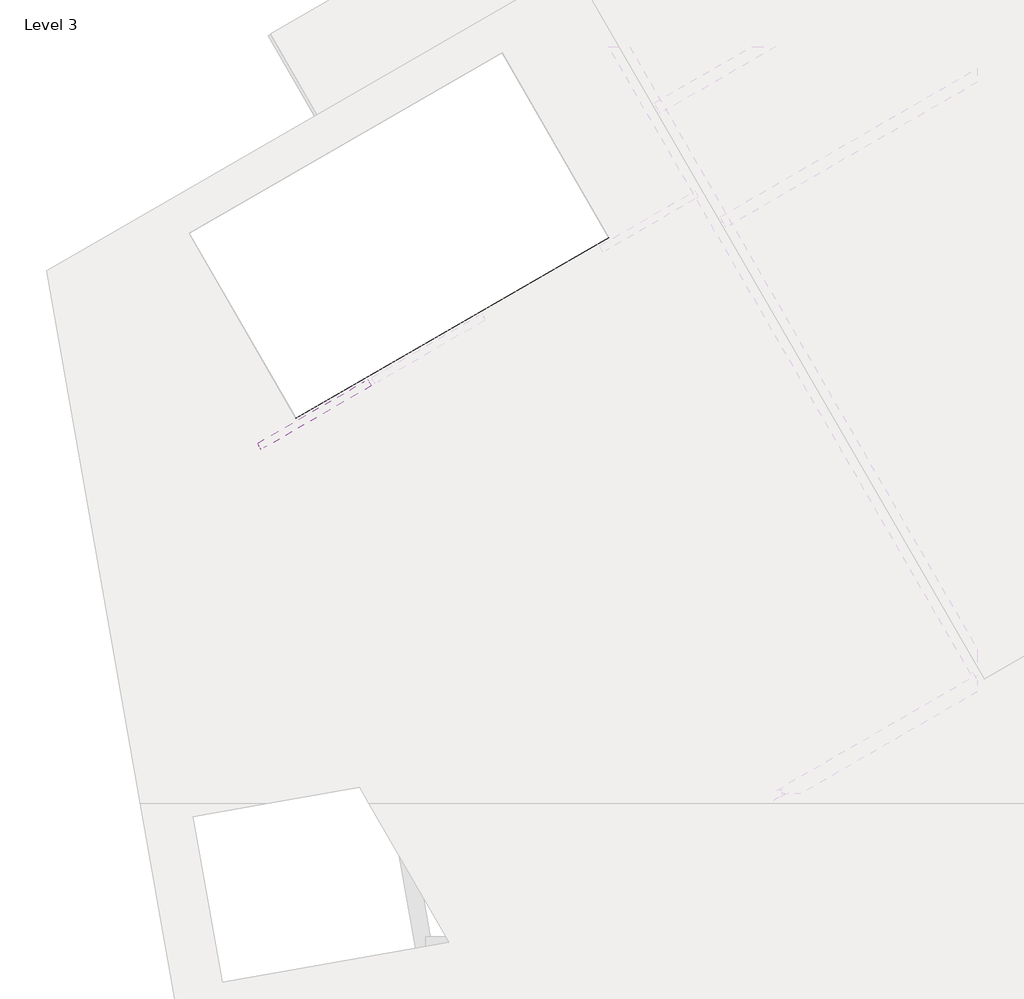
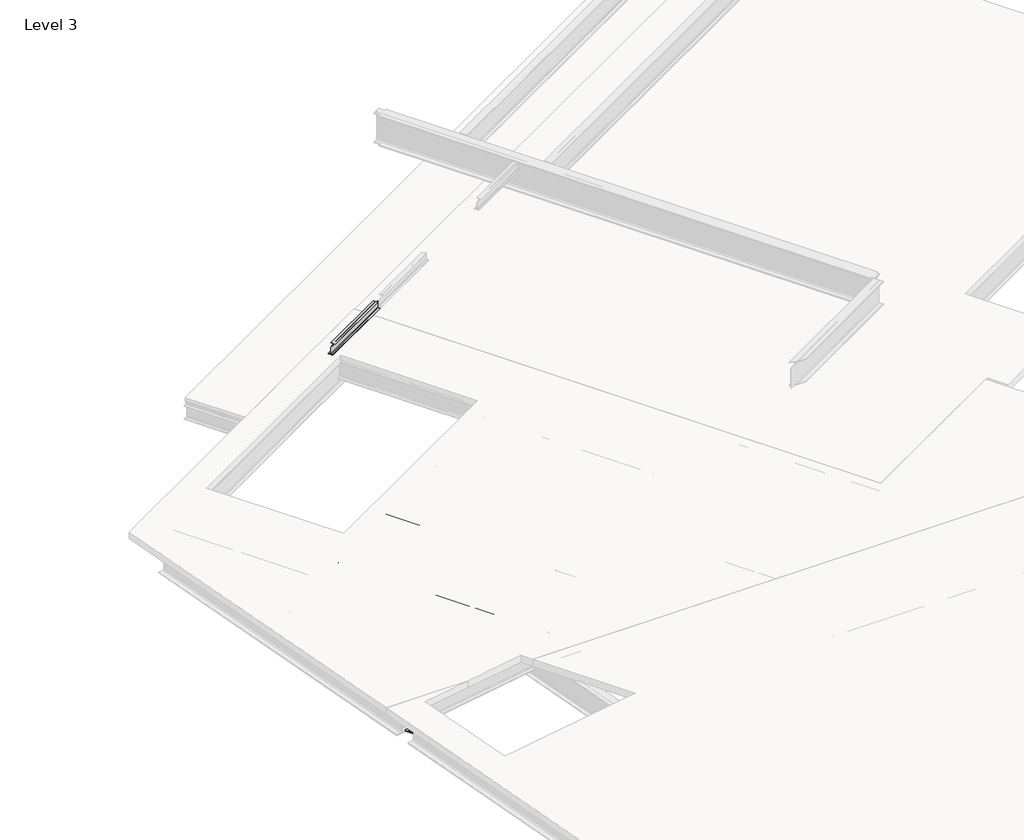
# One storey, part 5 of 16: 5 beams.
"""IFC4 building model written with IfcOpenShell, lengths in millimetres."""

from ifc_helpers import new_model, si_unit, frame, origin, place, context, project, spatial, polyline, circle_curve, ellipse_curve, element, save
from ifc_brep_helpers import plane_surface, revolved_surface, advanced_brep

model = new_model("IFC4")

# Units and contexts
model_context = context("Model", 3, world=origin())
ifc_project = project(units=[si_unit("LENGTHUNIT", "METRE", prefix="MILLI")], contexts=[model_context])

# Site, building, storey
site = spatial("IfcSite", under=ifc_project)
building = spatial("IfcBuilding", under=site)
storey = spatial("IfcBuildingStorey", under=building, Name="Level 3", Elevation=9753.6)

# Beams
placement = place(None, origin())
element("IfcBeam", 1, ObjectType="W-Wide Flange : W16x45", at=placement, inside=storey, context=model_context, shape_type="AdvancedBrep", body=[
    advanced_brep(
    [(-545.281486, 14633.688035, 9206.611), (-603.848619, 14599.874285, 9206.611), (1199.9716482, 11475.5659344, 9206.611), (1258.5387812, 11509.3796844, 9206.611), (-530.21351, 14642.387535, 9224.01), (1273.6067572, 11518.0791844, 9224.01), (-530.21351, 14642.387535, 9556.242), (1273.6067572, 11518.0791844, 9556.242), (1219.3142572, 11612.1165529, 9556.242), (1219.3142572, 11612.1165529, 9569.45), (-475.92101, 14548.3501665, 9569.45), (-475.92101, 14548.3501665, 9556.242), (-490.988986, 14539.6506665, 9586.849), (1204.2462812, 11603.4170529, 9586.849), (-549.556119, 14505.8369165, 9586.849), (1145.6791482, 11569.6033029, 9586.849), (-549.556119, 14505.8369165, 9601.2), (1145.6791482, 11569.6033029, 9601.2), (-394.6969204, 14595.2449165, 9601.2), (1300.5383468, 11659.0113029, 9601.2), (-394.6969204, 14595.2449165, 9586.849), (1300.5383468, 11659.0113029, 9586.849), (-453.2640534, 14561.4311665, 9586.849), (1241.9712138, 11625.1975529, 9586.849), (-468.3320294, 14552.7316665, 9569.45), (1226.9032378, 11616.4980529, 9569.45), (-522.6245294, 14646.769035, 9224.01), (-522.6245294, 14646.769035, 9556.242), (-468.3320294, 14552.7316665, 9556.242), (1226.9032378, 11616.4980529, 9556.242), (1281.1957378, 11522.4606844, 9556.242), (1281.1957378, 11522.4606844, 9224.01), (-507.5565534, 14655.468535, 9206.611), (1296.2637138, 11531.1601844, 9206.611), (-448.9894204, 14689.282285, 9206.611), (1354.8308468, 11564.9739344, 9206.611), (-448.9894204, 14689.282285, 9192.26), (1354.8308468, 11564.9739344, 9192.26), (-603.848619, 14599.874285, 9192.26), (1199.9716482, 11475.5659344, 9192.26)],
    [
        (0, 1),
        (1, 2),
        (2, 3),
        (3, 0),
        (4, 0, circle_curve(frame((-545.281486, 14633.688035, 9224.01), z_axis=(-0.49999999999999095, 0.8660254037844438, 0.0), x_axis=(0.8660254037844438, 0.49999999999999095, 0.0)), 17.399)),
        (3, 5, circle_curve(frame((1258.5387812, 11509.3796844, 9224.01), z_axis=(0.49999999999999095, -0.8660254037844438, 0.0), x_axis=(0.8660254037844438, 0.49999999999999095, 0.0)), 17.399)),
        (5, 4),
        (6, 4),
        (5, 7),
        (7, 8),
        (8, 9),
        (9, 10),
        (10, 11),
        (11, 6),
        (12, 10, circle_curve(frame((-490.988986, 14539.6506665, 9569.45), z_axis=(-0.49999999999999095, 0.8660254037844438, 0.0), x_axis=(0.8660254037844438, 0.49999999999999095, 0.0)), 17.399)),
        (9, 13, circle_curve(frame((1204.2462812, 11603.4170529, 9569.45), z_axis=(0.49999999999999095, -0.8660254037844438, 0.0), x_axis=(0.8660254037844438, 0.49999999999999095, 0.0)), 17.399)),
        (13, 12),
        (14, 12),
        (13, 15),
        (15, 14),
        (16, 14),
        (15, 17),
        (17, 16),
        (18, 16),
        (17, 19),
        (19, 18),
        (20, 18),
        (19, 21),
        (21, 20),
        (22, 20),
        (21, 23),
        (23, 22),
        (24, 22, circle_curve(frame((-453.2640534, 14561.4311665, 9569.45), z_axis=(-0.49999999999999095, 0.8660254037844438, 0.0), x_axis=(0.8660254037844438, 0.49999999999999095, 0.0)), 17.399)),
        (23, 25, circle_curve(frame((1241.9712138, 11625.1975529, 9569.45), z_axis=(0.49999999999999095, -0.8660254037844438, 0.0), x_axis=(0.8660254037844438, 0.49999999999999095, 0.0)), 17.399)),
        (25, 24),
        (26, 27),
        (27, 28),
        (28, 24),
        (25, 29),
        (29, 30),
        (30, 31),
        (31, 26),
        (32, 26, circle_curve(frame((-507.5565534, 14655.468535, 9224.01), z_axis=(-0.49999999999999095, 0.8660254037844438, 0.0), x_axis=(0.8660254037844438, 0.49999999999999095, 0.0)), 17.399)),
        (31, 33, circle_curve(frame((1296.2637138, 11531.1601844, 9224.01), z_axis=(0.49999999999999095, -0.8660254037844438, 0.0), x_axis=(0.8660254037844438, 0.49999999999999095, 0.0)), 17.399)),
        (33, 32),
        (34, 32),
        (33, 35),
        (35, 34),
        (36, 34),
        (35, 37),
        (37, 36),
        (38, 36),
        (37, 39),
        (39, 38),
        (1, 38),
        (39, 2),
        (6, 27),
        (11, 28),
        (8, 29),
        (7, 30),
    ],
    [
        plane_surface(frame((-610.198619, 14610.8728076, 9206.611), z_axis=(0.0, 0.0, 1.0), x_axis=(0.49999999999999095, -0.8660254037844438, 0.0))),
        revolved_surface(polyline([(1273.6067572259903, 11518.07918441475, 9224.01), (-530.2135100118173, 14642.387534993179, 9224.01)]), (-551.631486, 14644.6865576, 9224.01), (0.49999999999999095, -0.8660254037844438, 0.0)),
        plane_surface(frame((-536.56351, 14653.3860576, 9224.01), z_axis=(-0.8660254037844438, -0.49999999999999095, 0.0), x_axis=(0.49999999999999095, -0.8660254037844438, 0.0))),
        revolved_surface(polyline([(1219.3142572129723, 11612.116552907233, 9569.45), (-475.9210099987992, 14548.350166500695, 9569.45)]), (-551.631486, 14644.6865576, 9569.45), (0.49999999999999095, -0.8660254037844438, 0.0)),
        plane_surface(frame((-551.631486, 14644.6865576, 9586.849), z_axis=(0.0, 0.0, -1.0), x_axis=(0.49999999999999095, -0.8660254037844438, 0.0))),
        plane_surface(frame((-610.198619, 14610.8728076, 9586.849), z_axis=(-0.8660254037844438, -0.49999999999999095, 0.0), x_axis=(0.49999999999999095, -0.8660254037844438, 0.0))),
        plane_surface(frame((-610.198619, 14610.8728076, 9601.2), z_axis=(0.0, 0.0, 1.0), x_axis=(0.49999999999999095, -0.8660254037844438, 0.0))),
        plane_surface(frame((-455.3394204, 14700.2808076, 9601.2), z_axis=(0.8660254037844438, 0.49999999999999095, 0.0), x_axis=(0.49999999999999095, -0.8660254037844438, 0.0))),
        plane_surface(frame((-455.3394204, 14700.2808076, 9586.849), z_axis=(0.0, 0.0, -1.0), x_axis=(0.49999999999999095, -0.8660254037844438, 0.0))),
        revolved_surface(polyline([(1257.0391898130838, 11633.897052907041, 9569.45), (-438.1960773986875, 14570.130666500501, 9569.45)]), (-513.9065534, 14666.4670576, 9569.45), (0.49999999999999095, -0.8660254037844438, 0.0)),
        plane_surface(frame((-528.9745294, 14657.7675576, 9569.45), z_axis=(0.8660254037844438, 0.49999999999999095, 0.0), x_axis=(0.49999999999999095, -0.8660254037844438, 0.0))),
        revolved_surface(polyline([(1311.3316898261019, 11539.859684414558, 9224.01), (-492.4885774117056, 14664.168034992985, 9224.01)]), (-513.9065534, 14666.4670576, 9224.01), (0.49999999999999095, -0.8660254037844438, 0.0)),
        plane_surface(frame((-513.9065534, 14666.4670576, 9206.611), z_axis=(0.0, 0.0, 1.0), x_axis=(0.49999999999999095, -0.8660254037844438, 0.0))),
        plane_surface(frame((-455.3394204, 14700.2808076, 9206.611), z_axis=(0.8660254037844438, 0.49999999999999095, 0.0), x_axis=(0.49999999999999095, -0.8660254037844438, 0.0))),
        plane_surface(frame((-455.3394204, 14700.2808076, 9192.26), z_axis=(0.0, 0.0, -1.0), x_axis=(0.49999999999999095, -0.8660254037844438, 0.0))),
        plane_surface(frame((-610.198619, 14610.8728076, 9192.26), z_axis=(-0.8660254037844438, -0.49999999999999095, 0.0), x_axis=(0.49999999999999095, -0.8660254037844438, 0.0))),
        plane_surface(frame((-2351.5519762, 13590.8372813, 9034.018), z_axis=(-0.4999999999999921, 0.8660254037844433, 0.0), x_axis=(0.8660254037844433, 0.4999999999999921, 0.0))),
        plane_surface(frame((-2351.5519762, 13590.8372813, 9556.242), z_axis=(0.0, 0.0, 1.0), x_axis=(0.8660254037844433, 0.4999999999999921, 0.0))),
        plane_surface(frame((-2297.2594762, 13496.7999128, 9556.242), z_axis=(-0.4999999999999922, 0.8660254037844433, 0.0), x_axis=(0.8660254037844433, 0.4999999999999922, 0.0))),
        plane_surface(frame((-1759.6572004, 9892.2065799, 9626.6), z_axis=(0.49999999999999234, -0.8660254037844431, 0.0), x_axis=(0.8660254037844431, 0.49999999999999234, 0.0))),
        plane_surface(frame((-1759.6572004, 9892.2065799, 9556.242), z_axis=(0.0, 0.0, 1.0), x_axis=(0.8660254037844431, 0.49999999999999234, 0.0))),
        plane_surface(frame((-1705.3647004, 9798.1692114, 9556.242), z_axis=(0.49999999999999234, -0.8660254037844431, 0.0), x_axis=(0.8660254037844431, 0.49999999999999234, 0.0))),
    ],
    [
        (0, [[1, 2, 3, 4]]),
        (1, [[5, -4, 6, 7]]),
        (2, [[8, -7, 9, 10, 11, 12, 13, 14]]),
        (3, [[15, -12, 16, 17]]),
        (4, [[18, -17, 19, 20]]),
        (5, [[21, -20, 22, 23]]),
        (6, [[24, -23, 25, 26]]),
        (7, [[27, -26, 28, 29]]),
        (8, [[30, -29, 31, 32]]),
        (9, [[33, -32, 34, 35]]),
        (10, [[36, 37, 38, -35, 39, 40, 41, 42]]),
        (11, [[43, -42, 44, 45]]),
        (12, [[46, -45, 47, 48]]),
        (13, [[49, -48, 50, 51]]),
        (14, [[52, -51, 53, 54]]),
        (15, [[55, -54, 56, -2]]),
        (16, [[57, -36, -43, -46, -49, -52, -55, -1, -5, -8]]),
        (17, [[-57, -14, 58, -37]]),
        (18, [[-58, -13, -15, -18, -21, -24, -27, -30, -33, -38]]),
        (19, [[59, -39, -34, -31, -28, -25, -22, -19, -16, -11]]),
        (20, [[-59, -10, 60, -40]]),
        (21, [[-60, -9, -6, -3, -56, -53, -50, -47, -44, -41]]),
    ],
),
])
element("IfcBeam", 2, ObjectType="W-Wide Flange : W16x45", at=placement, inside=storey, context=model_context, shape_type="AdvancedBrep", body=[
    advanced_brep(
    [(1038.5057724, 15548.088035, 9206.611), (979.9386394, 15514.274285, 9206.611), (2783.7589067, 12389.9659344, 9206.611), (2842.3260397, 12423.7796844, 9206.611), (1053.5737484, 15556.787535, 9224.01), (2857.3940157, 12432.4791844, 9224.01), (1053.5737484, 15556.787535, 9556.242), (2857.3940157, 12432.4791844, 9556.242), (2803.1015157, 12526.5165529, 9556.242), (2803.1015157, 12526.5165529, 9569.45), (1107.8662484, 15462.7501665, 9569.45), (1107.8662484, 15462.7501665, 9556.242), (1092.7982724, 15454.0506665, 9586.849), (2788.0335397, 12517.8170529, 9586.849), (1034.2311394, 15420.2369165, 9586.849), (2729.4664067, 12484.0033029, 9586.849), (1034.2311394, 15420.2369165, 9601.2), (2729.4664067, 12484.0033029, 9601.2), (1189.090338, 15509.6449165, 9601.2), (2884.3256053, 12573.4113029, 9601.2), (1189.090338, 15509.6449165, 9586.849), (2884.3256053, 12573.4113029, 9586.849), (1130.523205, 15475.8311665, 9586.849), (2825.7584723, 12539.5975529, 9586.849), (1115.455229, 15467.1316665, 9569.45), (2810.6904963, 12530.8980529, 9569.45), (1061.162729, 15561.169035, 9224.01), (1061.162729, 15561.169035, 9556.242), (1115.455229, 15467.1316665, 9556.242), (2810.6904963, 12530.8980529, 9556.242), (2864.9829963, 12436.8606844, 9556.242), (2864.9829963, 12436.8606844, 9224.01), (1076.230705, 15569.868535, 9206.611), (2880.0509723, 12445.5601844, 9206.611), (1134.797838, 15603.682285, 9206.611), (2938.6181053, 12479.3739344, 9206.611), (1134.797838, 15603.682285, 9192.26), (2938.6181053, 12479.3739344, 9192.26), (979.9386394, 15514.274285, 9192.26), (2783.7589067, 12389.9659344, 9192.26)],
    [
        (0, 1),
        (1, 2),
        (2, 3),
        (3, 0),
        (4, 0, circle_curve(frame((1038.5057724, 15548.088035, 9224.01), z_axis=(-0.499999999999991, 0.8660254037844439, 0.0), x_axis=(0.8660254037844439, 0.499999999999991, 0.0)), 17.399)),
        (3, 5, circle_curve(frame((2842.3260397, 12423.7796844, 9224.01), z_axis=(0.499999999999991, -0.8660254037844439, 0.0), x_axis=(0.8660254037844439, 0.499999999999991, 0.0)), 17.399)),
        (5, 4),
        (6, 4),
        (5, 7),
        (7, 8),
        (8, 9),
        (9, 10),
        (10, 11),
        (11, 6),
        (12, 10, circle_curve(frame((1092.7982724, 15454.0506665, 9569.45), z_axis=(-0.499999999999991, 0.8660254037844439, 0.0), x_axis=(0.8660254037844439, 0.499999999999991, 0.0)), 17.399)),
        (9, 13, circle_curve(frame((2788.0335397, 12517.8170529, 9569.45), z_axis=(0.499999999999991, -0.8660254037844439, 0.0), x_axis=(0.8660254037844439, 0.499999999999991, 0.0)), 17.399)),
        (13, 12),
        (14, 12),
        (13, 15),
        (15, 14),
        (16, 14),
        (15, 17),
        (17, 16),
        (18, 16),
        (17, 19),
        (19, 18),
        (20, 18),
        (19, 21),
        (21, 20),
        (22, 20),
        (21, 23),
        (23, 22),
        (24, 22, circle_curve(frame((1130.523205, 15475.8311665, 9569.45), z_axis=(-0.499999999999991, 0.8660254037844439, 0.0), x_axis=(0.8660254037844439, 0.499999999999991, 0.0)), 17.399)),
        (23, 25, circle_curve(frame((2825.7584723, 12539.5975529, 9569.45), z_axis=(0.499999999999991, -0.8660254037844439, 0.0), x_axis=(0.8660254037844439, 0.499999999999991, 0.0)), 17.399)),
        (25, 24),
        (26, 27),
        (27, 28),
        (28, 24),
        (25, 29),
        (29, 30),
        (30, 31),
        (31, 26),
        (32, 26, circle_curve(frame((1076.230705, 15569.868535, 9224.01), z_axis=(-0.499999999999991, 0.8660254037844439, 0.0), x_axis=(0.8660254037844439, 0.499999999999991, 0.0)), 17.399)),
        (31, 33, circle_curve(frame((2880.0509723, 12445.5601844, 9224.01), z_axis=(0.499999999999991, -0.8660254037844439, 0.0), x_axis=(0.8660254037844439, 0.499999999999991, 0.0)), 17.399)),
        (33, 32),
        (34, 32),
        (33, 35),
        (35, 34),
        (36, 34),
        (35, 37),
        (37, 36),
        (38, 36),
        (37, 39),
        (39, 38),
        (1, 38),
        (39, 2),
        (6, 27),
        (11, 28),
        (8, 29),
        (7, 30),
    ],
    [
        plane_surface(frame((973.5886394, 15525.2728076, 9206.611), z_axis=(0.0, 0.0, 1.0), x_axis=(0.499999999999991, -0.8660254037844439, 0.0))),
        revolved_surface(polyline([(2857.3940156509907, 12432.479184371448, 9224.01), (1053.5737483881826, 15556.787534993178, 9224.01)]), (1032.1557724, 15559.0865576, 9224.01), (0.499999999999991, -0.8660254037844439, 0.0)),
        plane_surface(frame((1047.2237484, 15567.7860576, 9224.01), z_axis=(-0.8660254037844439, -0.499999999999991, 0.0), x_axis=(0.499999999999991, -0.8660254037844439, 0.0))),
        revolved_surface(polyline([(2803.1015156379726, 12526.516552863932, 9569.45), (1107.8662484012007, 15462.750166500695, 9569.45)]), (1032.1557724, 15559.0865576, 9569.45), (0.499999999999991, -0.8660254037844439, 0.0)),
        plane_surface(frame((1032.1557724, 15559.0865576, 9586.849), z_axis=(0.0, 0.0, -1.0), x_axis=(0.499999999999991, -0.8660254037844439, 0.0))),
        plane_surface(frame((973.5886394, 15525.2728076, 9586.849), z_axis=(-0.8660254037844439, -0.499999999999991, 0.0), x_axis=(0.499999999999991, -0.8660254037844439, 0.0))),
        plane_surface(frame((973.5886394, 15525.2728076, 9601.2), z_axis=(0.0, 0.0, 1.0), x_axis=(0.499999999999991, -0.8660254037844439, 0.0))),
        plane_surface(frame((1128.447838, 15614.6808076, 9601.2), z_axis=(0.8660254037844439, 0.499999999999991, 0.0), x_axis=(0.499999999999991, -0.8660254037844439, 0.0))),
        plane_surface(frame((1128.447838, 15614.6808076, 9586.849), z_axis=(0.0, 0.0, -1.0), x_axis=(0.499999999999991, -0.8660254037844439, 0.0))),
        revolved_surface(polyline([(2840.8264482380846, 12548.297052863738, 9569.45), (1145.5911810013124, 15484.530666500501, 9569.45)]), (1069.880705, 15580.8670576, 9569.45), (0.499999999999991, -0.8660254037844439, 0.0)),
        plane_surface(frame((1054.812729, 15572.1675576, 9569.45), z_axis=(0.8660254037844439, 0.499999999999991, 0.0), x_axis=(0.499999999999991, -0.8660254037844439, 0.0))),
        revolved_surface(polyline([(2895.1189482511027, 12454.259684371254, 9224.01), (1091.2986809882943, 15578.568034992984, 9224.01)]), (1069.880705, 15580.8670576, 9224.01), (0.499999999999991, -0.8660254037844439, 0.0)),
        plane_surface(frame((1069.880705, 15580.8670576, 9206.611), z_axis=(0.0, 0.0, 1.0), x_axis=(0.499999999999991, -0.8660254037844439, 0.0))),
        plane_surface(frame((1128.447838, 15614.6808076, 9206.611), z_axis=(0.8660254037844439, 0.499999999999991, 0.0), x_axis=(0.499999999999991, -0.8660254037844439, 0.0))),
        plane_surface(frame((1128.447838, 15614.6808076, 9192.26), z_axis=(0.0, 0.0, -1.0), x_axis=(0.499999999999991, -0.8660254037844439, 0.0))),
        plane_surface(frame((973.5886394, 15525.2728076, 9192.26), z_axis=(-0.8660254037844439, -0.499999999999991, 0.0), x_axis=(0.499999999999991, -0.8660254037844439, 0.0))),
        plane_surface(frame((-2351.5519762, 13590.8372813, 9034.018), z_axis=(-0.4999999999999921, 0.8660254037844433, 0.0), x_axis=(0.8660254037844433, 0.4999999999999921, 0.0))),
        plane_surface(frame((-2351.5519762, 13590.8372813, 9556.242), z_axis=(0.0, 0.0, 1.0), x_axis=(0.8660254037844433, 0.4999999999999921, 0.0))),
        plane_surface(frame((-2297.2594762, 13496.7999128, 9556.242), z_axis=(-0.4999999999999922, 0.8660254037844433, 0.0), x_axis=(0.8660254037844433, 0.4999999999999922, 0.0))),
        plane_surface(frame((-1759.6572004, 9892.2065799, 9626.6), z_axis=(0.49999999999999234, -0.8660254037844431, 0.0), x_axis=(0.8660254037844431, 0.49999999999999234, 0.0))),
        plane_surface(frame((-1759.6572004, 9892.2065799, 9556.242), z_axis=(0.0, 0.0, 1.0), x_axis=(0.8660254037844431, 0.49999999999999234, 0.0))),
        plane_surface(frame((-1705.3647004, 9798.1692114, 9556.242), z_axis=(0.49999999999999234, -0.8660254037844431, 0.0), x_axis=(0.8660254037844431, 0.49999999999999234, 0.0))),
    ],
    [
        (0, [[1, 2, 3, 4]]),
        (1, [[5, -4, 6, 7]]),
        (2, [[8, -7, 9, 10, 11, 12, 13, 14]]),
        (3, [[15, -12, 16, 17]]),
        (4, [[18, -17, 19, 20]]),
        (5, [[21, -20, 22, 23]]),
        (6, [[24, -23, 25, 26]]),
        (7, [[27, -26, 28, 29]]),
        (8, [[30, -29, 31, 32]]),
        (9, [[33, -32, 34, 35]]),
        (10, [[36, 37, 38, -35, 39, 40, 41, 42]]),
        (11, [[43, -42, 44, 45]]),
        (12, [[46, -45, 47, 48]]),
        (13, [[49, -48, 50, 51]]),
        (14, [[52, -51, 53, 54]]),
        (15, [[55, -54, 56, -2]]),
        (16, [[57, -36, -43, -46, -49, -52, -55, -1, -5, -8]]),
        (17, [[-57, -14, 58, -37]]),
        (18, [[-58, -13, -15, -18, -21, -24, -27, -30, -33, -38]]),
        (19, [[59, -39, -34, -31, -28, -25, -22, -19, -16, -11]]),
        (20, [[-59, -10, 60, -40]]),
        (21, [[-60, -9, -6, -3, -56, -53, -50, -47, -44, -41]]),
    ],
),
])
element("IfcBeam", 3, ObjectType="W-Wide Flange : W24x84", at=placement, inside=storey, context=model_context, shape_type="AdvancedBrep", body=[
    advanced_brep(
    [(-1610.4061552, 9684.4961864, 8989.06), (-1610.4061552, 9684.4961864, 9008.618), (-1653.0464052, 9758.3512659, 9008.618), (-1664.6986552, 9778.5335549, 9031.9225), (-1664.6986552, 9778.5335549, 9558.3375), (-1653.0464052, 9758.3512659, 9581.642), (-1610.4061552, 9684.4961864, 9581.642), (-1610.4061552, 9684.4961864, 9601.2), (-1705.2743209, 9848.8126695, 9601.2), (-1705.2743209, 9848.8126695, 9581.642), (-1682.3199052, 9809.0544552, 9581.642), (-1670.6676552, 9788.8721662, 9558.3375), (-1670.6676552, 9788.8721662, 9031.9225), (-1682.3199052, 9809.0544552, 9008.618), (-1705.2743209, 9848.8126695, 9008.618), (-1705.2743209, 9848.8126695, 8989.06), (7337.7283816, 15016.7817617, 9008.618), (7295.0881316, 15090.6368411, 9008.618), (-1589.8152734, 9960.9354685, 9008.618), (-1576.2602661, 9963.325582, 9008.618), (-1564.483794, 9896.5378898, 9008.618), (-1709.1904604, 9871.0222002, 9008.618), (7349.3806316, 14996.5994726, 9031.9225), (7349.3806316, 14996.5994726, 9558.3375), (7349.3806316, 14996.5994726, 9556.242), (7443.4180001, 15050.8919726, 9556.242), (7443.4180001, 15050.8919726, 9034.018), (7349.3806316, 14996.5994726, 9034.018), (7337.7283816, 15016.7817617, 9581.642), (-1709.1904604, 9871.0222002, 9581.642), (-1564.483794, 9896.5378898, 9581.642), (-1576.2602661, 9963.325582, 9581.642), (-1589.8152734, 9960.9354685, 9581.642), (7295.0881316, 15090.6368411, 9581.642), (7295.0881316, 15090.6368411, 9601.2), (-1589.8152734, 9960.9354685, 9601.2), (7409.6421316, 14892.2234929, 9601.2), (-1576.2602661, 9963.325582, 9601.2), (-1564.483794, 9896.5378898, 9601.2), (-1709.1904604, 9871.0222002, 9601.2), (7409.6421316, 14892.2234929, 9581.642), (7367.0018816, 14966.0785723, 9581.642), (7355.3496316, 14986.2608614, 9558.3375), (7355.3496316, 14986.2608614, 9031.9225), (7355.3496316, 14986.2608614, 9034.018), (7449.3870001, 15040.5533614, 9034.018), (7449.3870001, 15040.5533614, 9556.242), (7355.3496316, 14986.2608614, 9556.242), (7367.0018816, 14966.0785723, 9008.618), (7409.6421316, 14892.2234929, 9008.618), (7409.6421316, 14892.2234929, 8989.06), (-1709.1904604, 9871.0222002, 8989.06), (-1564.483794, 9896.5378898, 8989.06), (-1576.2602661, 9963.325582, 8989.06), (-1589.8152734, 9960.9354685, 8989.06), (7295.0881316, 15090.6368411, 8989.06)],
    [
        (0, 1),
        (1, 2),
        (2, 3, circle_curve(frame((-1653.0464052, 9758.3512659, 9031.9225), z_axis=(0.8660254037844431, 0.49999999999999223, 0.0), x_axis=(0.49999999999999223, -0.8660254037844431, 0.0)), 23.3045)),
        (3, 4),
        (4, 5, circle_curve(frame((-1653.0464052, 9758.3512659, 9558.3375), z_axis=(0.8660254037844431, 0.49999999999999223, 0.0), x_axis=(0.49999999999999223, -0.8660254037844431, 0.0)), 23.3045)),
        (5, 6),
        (6, 7),
        (7, 8),
        (8, 9),
        (9, 10),
        (10, 11, circle_curve(frame((-1682.3199052, 9809.0544552, 9558.3375), z_axis=(0.8660254037844431, 0.49999999999999223, 0.0), x_axis=(0.49999999999999223, -0.8660254037844431, 0.0)), 23.3045)),
        (11, 12),
        (12, 13, circle_curve(frame((-1682.3199052, 9809.0544552, 9031.9225), z_axis=(0.8660254037844431, 0.49999999999999223, 0.0), x_axis=(0.49999999999999223, -0.8660254037844431, 0.0)), 23.3045)),
        (13, 14),
        (14, 15),
        (15, 0),
        (13, 16),
        (16, 17),
        (17, 18),
        (18, 19),
        (19, 20),
        (20, 21),
        (21, 14),
        (12, 22),
        (22, 16, circle_curve(frame((7337.7283816, 15016.7817617, 9031.9225), z_axis=(0.8660254037844431, 0.49999999999999223, 0.0), x_axis=(0.49999999999999223, -0.8660254037844431, 0.0)), 23.3045)),
        (11, 23),
        (23, 24),
        (24, 25),
        (25, 26),
        (26, 27),
        (27, 22),
        (10, 28),
        (28, 23, circle_curve(frame((7337.7283816, 15016.7817617, 9558.3375), z_axis=(0.8660254037844431, 0.49999999999999223, 0.0), x_axis=(0.49999999999999223, -0.8660254037844431, 0.0)), 23.3045)),
        (9, 29),
        (29, 30),
        (30, 31),
        (31, 32),
        (32, 33),
        (33, 28),
        (34, 33),
        (32, 35),
        (35, 34),
        (7, 36),
        (36, 34),
        (35, 37),
        (37, 38),
        (38, 39),
        (39, 8),
        (6, 40),
        (40, 36),
        (5, 41),
        (41, 40),
        (4, 42),
        (42, 41, circle_curve(frame((7367.0018816, 14966.0785723, 9558.3375), z_axis=(0.8660254037844431, 0.49999999999999223, 0.0), x_axis=(0.49999999999999223, -0.8660254037844431, 0.0)), 23.3045)),
        (3, 43),
        (43, 44),
        (44, 45),
        (45, 46),
        (46, 47),
        (47, 42),
        (2, 48),
        (48, 43, circle_curve(frame((7367.0018816, 14966.0785723, 9031.9225), z_axis=(0.8660254037844431, 0.49999999999999223, 0.0), x_axis=(0.49999999999999223, -0.8660254037844431, 0.0)), 23.3045)),
        (1, 49),
        (49, 48),
        (0, 50),
        (50, 49),
        (15, 51),
        (51, 52),
        (52, 53),
        (53, 54),
        (54, 55),
        (55, 50),
        (17, 55),
        (54, 18),
        (26, 45),
        (44, 27),
        (47, 24),
        (46, 25),
        (53, 19),
        (52, 20),
        (51, 21),
        (31, 37),
        (30, 38),
        (29, 39),
    ],
    [
        plane_surface(frame((-1667.6831552, 9783.7028605, 9295.13), z_axis=(-0.8660254037844431, -0.49999999999999223, 0.0), x_axis=(0.0, 0.0, 1.0))),
        plane_surface(frame((7400.1240227, 15151.2793411, 9008.618), z_axis=(0.0, 0.0, 1.0), x_axis=(-0.8660254037844431, -0.49999999999999223, 0.0))),
        revolved_surface(polyline([(-1670.6676552050021, 9788.872166186167, 9031.9225), (7349.3806316005, 14996.599472676638, 9031.9225)]), (7442.7642727, 15077.4242617, 9031.9225), (-0.8660254037844431, -0.49999999999999223, 0.0)),
        plane_surface(frame((7454.4165227, 15057.2419726, 9031.9225), z_axis=(-0.49999999999999223, 0.8660254037844431, 0.0), x_axis=(-0.8660254037844431, -0.49999999999999223, 0.0))),
        revolved_surface(polyline([(-1670.6676552050021, 9788.872166186167, 9558.3375), (7349.3806316005, 14996.599472676638, 9558.3375)]), (7442.7642727, 15077.4242617, 9558.3375), (-0.8660254037844431, -0.49999999999999223, 0.0)),
        plane_surface(frame((7442.7642727, 15077.4242617, 9581.642), z_axis=(0.0, 0.0, -1.0), x_axis=(-0.8660254037844431, -0.49999999999999223, 0.0))),
        plane_surface(frame((7400.1240227, 15151.2793411, 9581.642), z_axis=(-0.49999999999999223, 0.8660254037844431, 0.0), x_axis=(-0.8660254037844431, -0.49999999999999223, 0.0))),
        plane_surface(frame((7400.1240227, 15151.2793411, 9601.2), z_axis=(0.0, 0.0, 1.0), x_axis=(-0.8660254037844431, -0.49999999999999223, 0.0))),
        plane_surface(frame((7514.6780227, 14952.8659929, 9601.2), z_axis=(0.49999999999999223, -0.8660254037844431, 0.0), x_axis=(-0.8660254037844431, -0.49999999999999223, 0.0))),
        plane_surface(frame((7514.6780227, 14952.8659929, 9581.642), z_axis=(0.0, 0.0, -1.0), x_axis=(-0.8660254037844431, -0.49999999999999223, 0.0))),
        revolved_surface(polyline([(-1641.3941551714406, 9738.168976805544, 9558.3375), (7378.654131634061, 14945.896283296017, 9558.3375)]), (7472.0377727, 15026.7210723, 9558.3375), (-0.8660254037844431, -0.49999999999999223, 0.0)),
        plane_surface(frame((7460.3855227, 15046.9033614, 9558.3375), z_axis=(0.49999999999999223, -0.8660254037844431, 0.0), x_axis=(-0.8660254037844431, -0.49999999999999223, 0.0))),
        revolved_surface(polyline([(-1641.3941551714406, 9738.168976805544, 9031.9225), (7378.654131634061, 14945.896283296017, 9031.9225)]), (7472.0377727, 15026.7210723, 9031.9225), (-0.8660254037844431, -0.49999999999999223, 0.0)),
        plane_surface(frame((7472.0377727, 15026.7210723, 9008.618), z_axis=(0.0, 0.0, 1.0), x_axis=(-0.8660254037844431, -0.49999999999999223, 0.0))),
        plane_surface(frame((7514.6780227, 14952.8659929, 9008.618), z_axis=(0.49999999999999223, -0.8660254037844431, 0.0), x_axis=(-0.8660254037844431, -0.49999999999999223, 0.0))),
        plane_surface(frame((7514.6780227, 14952.8659929, 8989.06), z_axis=(0.0, 0.0, -1.0), x_axis=(-0.8660254037844431, -0.49999999999999223, 0.0))),
        plane_surface(frame((7400.1240227, 15151.2793411, 8989.06), z_axis=(-0.49999999999999223, 0.8660254037844431, 0.0), x_axis=(-0.8660254037844431, -0.49999999999999223, 0.0))),
        plane_surface(frame((9519.1533946, 11455.6128062, 9034.018), z_axis=(0.0, 0.0, -1.0), x_axis=(-0.499999999999991, 0.8660254037844438, 0.0))),
        plane_surface(frame((9425.1160261, 11401.3203062, 9034.018), z_axis=(0.8660254037844439, 0.4999999999999909, 0.0), x_axis=(-0.4999999999999909, 0.8660254037844439, 0.0))),
        plane_surface(frame((9425.1160261, 11401.3203062, 9626.6), z_axis=(0.8660254037844438, 0.49999999999999095, 0.0), x_axis=(-0.49999999999999095, 0.8660254037844438, 0.0))),
        plane_surface(frame((9425.1160261, 11401.3203062, 9556.242), z_axis=(0.0, 0.0, 1.0), x_axis=(-0.49999999999999095, 0.8660254037844438, 0.0))),
        plane_surface(frame((9519.1533946, 11455.6128062, 9556.242), z_axis=(0.8660254037844438, 0.499999999999991, 0.0), x_axis=(-0.499999999999991, 0.8660254037844438, 0.0))),
        plane_surface(frame((-1926.4579031, 9901.57629, 5765.8), z_axis=(0.17364817766691945, -0.98480775301221, 0.0), x_axis=(0.0, 0.0, 1.0))),
        plane_surface(frame((-1576.2602661, 9963.325582, 5765.8), z_axis=(-0.9848077530122074, -0.17364817766693433, 0.0), x_axis=(0.0, 0.0, 1.0))),
        plane_surface(frame((-1564.483794, 9896.5378898, 5765.8), z_axis=(-0.17364817766691606, 0.9848077530122106, 0.0), x_axis=(0.0, 0.0, 1.0))),
        plane_surface(frame((-1709.1904604, 9871.0222002, 5765.8), z_axis=(-0.9848077530122094, -0.17364817766692311, 0.0), x_axis=(0.0, 0.0, 1.0))),
    ],
    [
        (0, [[1, 2, 3, 4, 5, 6, 7, 8, 9, 10, 11, 12, 13, 14, 15, 16]]),
        (1, [[17, 18, 19, 20, 21, 22, 23, -14]]),
        (2, [[-13, 24, 25, -17]]),
        (3, [[-12, 26, 27, 28, 29, 30, 31, -24]]),
        (4, [[-11, 32, 33, -26]]),
        (5, [[-32, -10, 34, 35, 36, 37, 38, 39]]),
        (6, [[40, -38, 41, 42]]),
        (7, [[43, 44, -42, 45, 46, 47, 48, -8]]),
        (8, [[-7, 49, 50, -43]]),
        (9, [[-6, 51, 52, -49]]),
        (10, [[-5, 53, 54, -51]]),
        (11, [[-4, 55, 56, 57, 58, 59, 60, -53]]),
        (12, [[-3, 61, 62, -55]]),
        (13, [[-2, 63, 64, -61]]),
        (14, [[-1, 65, 66, -63]]),
        (15, [[-65, -16, 67, 68, 69, 70, 71, 72]]),
        (16, [[73, -71, 74, -19]]),
        (17, [[75, -57, 76, -30]]),
        (18, [[-76, -56, -62, -64, -66, -72, -73, -18, -25, -31]]),
        (19, [[77, -27, -33, -39, -40, -44, -50, -52, -54, -60]]),
        (20, [[-77, -59, 78, -28]]),
        (21, [[-75, -29, -78, -58]]),
        (22, [[79, -20, -74, -70]]),
        (23, [[-79, -69, 80, -21]]),
        (24, [[-80, -68, 81, -22]]),
        (25, [[-81, -67, -15, -23]]),
        (22, [[82, -45, -41, -37]]),
        (23, [[-82, -36, 83, -46]]),
        (24, [[-83, -35, 84, -47]]),
        (25, [[-84, -34, -9, -48]]),
    ],
),
])
element("IfcBeam", 4, ObjectType="W-Wide Flange : W24x84", at=placement, inside=storey, context=model_context, shape_type="AdvancedBrep", body=[
    advanced_brep(
    [(-2287.9624309, 13531.4969581, 8989.06), (-2287.9624309, 13531.4969581, 9008.618), (-2330.6026809, 13605.3520375, 9008.618), (-2342.2549309, 13625.5343265, 9031.9225), (-2342.2549309, 13625.5343265, 9556.877), (-2348.2239309, 13635.8729378, 9556.877), (-2348.2239309, 13635.8729378, 9031.9225), (-2359.8761809, 13656.0552268, 9008.618), (-2382.8305967, 13695.8134411, 9008.618), (-2382.8305967, 13695.8134411, 8989.06), (5502.5391144, 18195.422814, 9008.618), (5459.8988644, 18269.2778935, 9008.618), (-2390.1061869, 13737.075364, 9008.618), (5514.1913644, 18175.240525, 9031.9225), (-2258.7318047, 13687.541241, 9556.877), (-2258.7318047, 13687.541241, 9558.3375), (5514.1913644, 18175.240525, 9558.3375), (5514.1913644, 18175.240525, 9556.242), (5608.2287328, 18229.533025, 9556.242), (5608.2287328, 18229.533025, 9034.018), (5514.1913644, 18175.240525, 9034.018), (5502.5391144, 18195.422814, 9581.642), (-2263.0383022, 13711.9646022, 9581.642), (5459.8988644, 18269.2778935, 9581.642), (-2278.7975017, 13801.3394634, 9581.642), (5459.8988644, 18269.2778935, 9601.2), (-2278.7975017, 13801.3394634, 9601.2), (5574.4528644, 18070.8645453, 9601.2), (-2236.4600545, 13561.231869, 9601.2), (5574.4528644, 18070.8645453, 9581.642), (-2236.4600545, 13561.231869, 9581.642), (5531.8126144, 18144.7196247, 9581.642), (-2252.2192539, 13650.6067302, 9581.642), (5520.1603644, 18164.9019137, 9558.3375), (-2256.5257515, 13675.0300914, 9558.3375), (5520.1603644, 18164.9019137, 9031.9225), (5520.1603644, 18164.9019137, 9034.018), (5614.1977328, 18219.1944137, 9034.018), (5614.1977328, 18219.1944137, 9556.242), (5520.1603644, 18164.9019137, 9556.242), (-2256.5257515, 13675.0300914, 9556.877), (5531.8126144, 18144.7196247, 9008.618), (5574.4528644, 18070.8645453, 9008.618), (5574.4528644, 18070.8645453, 8989.06), (-2390.1061869, 13737.075364, 8989.06), (5459.8988644, 18269.2778935, 8989.06)],
    [
        (0, 1),
        (1, 2),
        (2, 3, circle_curve(frame((-2330.6026809, 13605.3520375, 9031.9225), z_axis=(0.8660254037844431, 0.49999999999999223, 0.0), x_axis=(0.49999999999999223, -0.8660254037844431, 0.0)), 23.3045)),
        (3, 4),
        (4, 5),
        (5, 6),
        (6, 7, circle_curve(frame((-2359.8761809, 13656.0552268, 9031.9225), z_axis=(0.8660254037844431, 0.49999999999999223, 0.0), x_axis=(0.49999999999999223, -0.8660254037844431, 0.0)), 23.3045)),
        (7, 8),
        (8, 9),
        (9, 0),
        (7, 10),
        (10, 11),
        (11, 12),
        (12, 8),
        (6, 13),
        (13, 10, circle_curve(frame((5502.5391144, 18195.422814, 9031.9225), z_axis=(0.8660254037844431, 0.49999999999999223, 0.0), x_axis=(0.49999999999999223, -0.8660254037844431, 0.0)), 23.3045)),
        (5, 14),
        (14, 15),
        (15, 16),
        (16, 17),
        (17, 18),
        (18, 19),
        (19, 20),
        (20, 13),
        (21, 16, circle_curve(frame((5502.5391144, 18195.422814, 9558.3375), z_axis=(0.8660254037844431, 0.49999999999999223, 0.0), x_axis=(0.49999999999999223, -0.8660254037844431, 0.0)), 23.3045)),
        (15, 22, ellipse_curve(frame((-2263.0383022, 13711.9646022, 9558.3375), z_axis=(-0.9848077530122095, -0.17364817766692217, 0.0), x_axis=(0.17364817766692175, -0.9848077530122095, 0.0)), 24.8001309, 23.3045)),
        (22, 21),
        (23, 21),
        (22, 24),
        (24, 23),
        (25, 23),
        (24, 26),
        (26, 25),
        (27, 25),
        (26, 28),
        (28, 27),
        (29, 27),
        (28, 30),
        (30, 29),
        (31, 29),
        (30, 32),
        (32, 31),
        (33, 31, circle_curve(frame((5531.8126144, 18144.7196247, 9558.3375), z_axis=(0.8660254037844431, 0.49999999999999223, 0.0), x_axis=(0.49999999999999223, -0.8660254037844431, 0.0)), 23.3045)),
        (32, 34, ellipse_curve(frame((-2252.2192539, 13650.6067302, 9558.3375), z_axis=(-0.9848077530122095, -0.17364817766692217, 0.0), x_axis=(0.17364817766692175, -0.9848077530122095, 0.0)), 24.8001309, 23.3045)),
        (34, 33),
        (3, 35),
        (35, 36),
        (36, 37),
        (37, 38),
        (38, 39),
        (39, 33),
        (34, 40),
        (40, 4),
        (2, 41),
        (41, 35, circle_curve(frame((5531.8126144, 18144.7196247, 9031.9225), z_axis=(0.8660254037844431, 0.49999999999999223, 0.0), x_axis=(0.49999999999999223, -0.8660254037844431, 0.0)), 23.3045)),
        (1, 42),
        (42, 41),
        (0, 43),
        (43, 42),
        (9, 44),
        (44, 45),
        (45, 43),
        (11, 45),
        (44, 12),
        (19, 37),
        (36, 20),
        (39, 17),
        (38, 18),
        (40, 14),
    ],
    [
        plane_surface(frame((-2345.2394309, 13630.7036322, 9295.13), z_axis=(-0.8660254037844431, -0.49999999999999223, 0.0), x_axis=(0.0, 0.0, 1.0))),
        plane_surface(frame((5564.9347555, 18329.9203935, 9008.618), z_axis=(0.0, 0.0, 1.0), x_axis=(-0.8660254037844431, -0.49999999999999223, 0.0))),
        revolved_surface(polyline([(-2348.223930889977, 13635.872937760145, 9031.9225), (5514.1913644102415, 18175.240524982262, 9031.9225)]), (5607.5750055, 18256.065314, 9031.9225), (-0.8660254037844431, -0.49999999999999223, 0.0)),
        plane_surface(frame((5619.2272555, 18235.883025, 9031.9225), z_axis=(-0.49999999999999223, 0.8660254037844431, 0.0), x_axis=(-0.8660254037844431, -0.49999999999999223, 0.0))),
        revolved_surface(polyline([(-2258.7318046594173, 13687.54124092971, 9558.3375), (5514.1913644102415, 18175.240524982262, 9558.3375)]), (5607.5750055, 18256.065314, 9558.3375), (-0.8660254037844431, -0.49999999999999223, 0.0)),
        plane_surface(frame((5607.5750055, 18256.065314, 9581.642), z_axis=(0.0, 0.0, -1.0), x_axis=(-0.8660254037844431, -0.49999999999999223, 0.0))),
        plane_surface(frame((5564.9347555, 18329.9203935, 9581.642), z_axis=(-0.49999999999999223, 0.8660254037844431, 0.0), x_axis=(-0.8660254037844431, -0.49999999999999223, 0.0))),
        plane_surface(frame((5564.9347555, 18329.9203935, 9601.2), z_axis=(0.0, 0.0, 1.0), x_axis=(-0.8660254037844431, -0.49999999999999223, 0.0))),
        plane_surface(frame((5679.4887555, 18131.5070453, 9601.2), z_axis=(0.49999999999999223, -0.8660254037844431, 0.0), x_axis=(-0.8660254037844431, -0.49999999999999223, 0.0))),
        plane_surface(frame((5679.4887555, 18131.5070453, 9581.642), z_axis=(0.0, 0.0, -1.0), x_axis=(-0.8660254037844431, -0.49999999999999223, 0.0))),
        revolved_surface(polyline([(-2247.912756344588, 13626.18336898153, 9558.3375), (5543.4648644005, 18124.53733567664, 9558.3375)]), (5636.8485055, 18205.3621247, 9558.3375), (-0.8660254037844431, -0.49999999999999223, 0.0)),
        plane_surface(frame((5625.1962555, 18225.5444137, 9558.3375), z_axis=(0.49999999999999223, -0.8660254037844431, 0.0), x_axis=(-0.8660254037844431, -0.49999999999999223, 0.0))),
        revolved_surface(polyline([(-2318.9504308997184, 13585.169748454522, 9031.9225), (5543.4648644005, 18124.53733567664, 9031.9225)]), (5636.8485055, 18205.3621247, 9031.9225), (-0.8660254037844431, -0.49999999999999223, 0.0)),
        plane_surface(frame((5636.8485055, 18205.3621247, 9008.618), z_axis=(0.0, 0.0, 1.0), x_axis=(-0.8660254037844431, -0.49999999999999223, 0.0))),
        plane_surface(frame((5679.4887555, 18131.5070453, 9008.618), z_axis=(0.49999999999999223, -0.8660254037844431, 0.0), x_axis=(-0.8660254037844431, -0.49999999999999223, 0.0))),
        plane_surface(frame((5679.4887555, 18131.5070453, 8989.06), z_axis=(0.0, 0.0, -1.0), x_axis=(-0.8660254037844431, -0.49999999999999223, 0.0))),
        plane_surface(frame((5564.9347555, 18329.9203935, 8989.06), z_axis=(-0.49999999999999223, 0.8660254037844431, 0.0), x_axis=(-0.8660254037844431, -0.49999999999999223, 0.0))),
        plane_surface(frame((9519.1533946, 11455.6128062, 9034.018), z_axis=(0.0, 0.0, -1.0), x_axis=(-0.499999999999991, 0.8660254037844438, 0.0))),
        plane_surface(frame((9425.1160261, 11401.3203062, 9034.018), z_axis=(0.8660254037844439, 0.4999999999999909, 0.0), x_axis=(-0.4999999999999909, 0.8660254037844439, 0.0))),
        plane_surface(frame((9425.1160261, 11401.3203062, 9626.6), z_axis=(0.8660254037844438, 0.49999999999999095, 0.0), x_axis=(-0.49999999999999095, 0.8660254037844438, 0.0))),
        plane_surface(frame((9425.1160261, 11401.3203062, 9556.242), z_axis=(0.0, 0.0, 1.0), x_axis=(-0.49999999999999095, 0.8660254037844438, 0.0))),
        plane_surface(frame((9519.1533946, 11455.6128062, 9556.242), z_axis=(0.8660254037844438, 0.499999999999991, 0.0), x_axis=(-0.499999999999991, 0.8660254037844438, 0.0))),
        plane_surface(frame((-1713.6005134, 9900.421037, 8962.263), z_axis=(-0.9848077530122095, -0.1736481776669222, 0.0), x_axis=(-0.1736481776669222, 0.9848077530122095, 0.0))),
        plane_surface(frame((-1713.6005134, 9900.421037, 9556.877), z_axis=(0.0, 0.0, 1.0), x_axis=(-0.1736481776669222, 0.9848077530122095, 0.0))),
        plane_surface(frame((-1594.6583875, 9921.3937429, 9556.877), z_axis=(-0.9848077530122095, -0.17364817766692217, 0.0), x_axis=(-0.17364817766692217, 0.9848077530122095, 0.0))),
    ],
    [
        (0, [[1, 2, 3, 4, 5, 6, 7, 8, 9, 10]]),
        (1, [[11, 12, 13, 14, -8]]),
        (2, [[-7, 15, 16, -11]]),
        (3, [[-15, -6, 17, 18, 19, 20, 21, 22, 23, 24]]),
        (4, [[25, -19, 26, 27]]),
        (5, [[28, -27, 29, 30]]),
        (6, [[31, -30, 32, 33]]),
        (7, [[34, -33, 35, 36]]),
        (8, [[37, -36, 38, 39]]),
        (9, [[40, -39, 41, 42]]),
        (10, [[43, -42, 44, 45]]),
        (11, [[46, 47, 48, 49, 50, 51, -45, 52, 53, -4]]),
        (12, [[-3, 54, 55, -46]]),
        (13, [[-2, 56, 57, -54]]),
        (14, [[-1, 58, 59, -56]]),
        (15, [[-58, -10, 60, 61, 62]]),
        (16, [[63, -61, 64, -13]]),
        (17, [[65, -48, 66, -23]]),
        (18, [[-66, -47, -55, -57, -59, -62, -63, -12, -16, -24]]),
        (19, [[67, -20, -25, -28, -31, -34, -37, -40, -43, -51]]),
        (20, [[-67, -50, 68, -21]]),
        (21, [[-65, -22, -68, -49]]),
        (22, [[-9, -14, -64, -60]]),
        (23, [[69, -17, -5, -53]]),
        (24, [[-69, -52, -44, -41, -38, -35, -32, -29, -26, -18]]),
    ],
),
])
element("IfcBeam", 5, ObjectType="W-Wide Flange : W8x10", at=placement, inside=storey, context=model_context, shape_type="AdvancedBrep", body=[
    advanced_brep(
    [(-523.59473, 14699.5034717, 14282.801), (-505.78298, 14668.6526157, 14282.801), (1026.2012369, 15553.1441157, 14282.801), (1008.3894869, 15583.9949717, 14282.801), (-529.72248, 14710.117046, 14295.0565), (1002.2617369, 15594.608546, 14295.0565), (-529.72248, 14710.117046, 14438.122), (1002.2617369, 15594.608546, 14438.122), (923.6772927, 15549.237796, 14438.122), (923.6772927, 15549.237796, 14460.5375), (-451.1380358, 14755.487796, 14460.5375), (-451.1380358, 14755.487796, 14438.122), (-445.0102858, 14744.8742217, 14472.793), (929.8050427, 15538.6242217, 14472.793), (-427.1985358, 14714.0233657, 14472.793), (947.6167927, 15507.7733657, 14472.793), (-427.1985358, 14714.0233657, 14478.0), (947.6167927, 15507.7733657, 14478.0), (-477.2365358, 14800.691724, 14478.0), (897.5787927, 15594.441724, 14478.0), (-477.2365358, 14800.691724, 14472.793), (897.5787927, 15594.441724, 14472.793), (-459.4247858, 14769.8408681, 14472.793), (915.3905427, 15563.5908681, 14472.793), (-453.2970358, 14759.2272937, 14460.5375), (921.5182927, 15552.9772937, 14460.5375), (-531.88148, 14713.8565437, 14295.0565), (-531.88148, 14713.8565437, 14438.122), (-453.2970358, 14759.2272937, 14438.122), (921.5182927, 15552.9772937, 14438.122), (1000.1027369, 15598.3480437, 14438.122), (1000.1027369, 15598.3480437, 14295.0565), (-538.00923, 14724.4701181, 14282.801), (993.9749869, 15608.9616181, 14282.801), (-555.82098, 14755.320974, 14282.801), (976.1632369, 15639.812474, 14282.801), (-555.82098, 14755.320974, 14277.594), (976.1632369, 15639.812474, 14277.594), (-505.78298, 14668.6526157, 14277.594), (1026.2012369, 15553.1441157, 14277.594)],
    [
        (0, 1),
        (1, 2),
        (2, 3),
        (3, 0),
        (4, 0, circle_curve(frame((-523.59473, 14699.5034717, 14295.0565), z_axis=(-0.8660254037844454, -0.4999999999999883, 0.0), x_axis=(-0.4999999999999883, 0.8660254037844454, 0.0)), 12.2555)),
        (3, 5, circle_curve(frame((1008.3894869, 15583.9949717, 14295.0565), z_axis=(0.8660254037844454, 0.4999999999999883, 0.0), x_axis=(-0.4999999999999883, 0.8660254037844454, 0.0)), 12.2555)),
        (5, 4),
        (6, 4),
        (5, 7),
        (7, 8),
        (8, 9),
        (9, 10),
        (10, 11),
        (11, 6),
        (12, 10, circle_curve(frame((-445.0102858, 14744.8742217, 14460.5375), z_axis=(-0.8660254037844454, -0.4999999999999883, 0.0), x_axis=(-0.4999999999999883, 0.8660254037844454, 0.0)), 12.2555)),
        (9, 13, circle_curve(frame((929.8050427, 15538.6242217, 14460.5375), z_axis=(0.8660254037844454, 0.4999999999999883, 0.0), x_axis=(-0.4999999999999883, 0.8660254037844454, 0.0)), 12.2555)),
        (13, 12),
        (14, 12),
        (13, 15),
        (15, 14),
        (16, 14),
        (15, 17),
        (17, 16),
        (18, 16),
        (17, 19),
        (19, 18),
        (20, 18),
        (19, 21),
        (21, 20),
        (22, 20),
        (21, 23),
        (23, 22),
        (24, 22, circle_curve(frame((-459.4247858, 14769.8408681, 14460.5375), z_axis=(-0.8660254037844454, -0.4999999999999883, 0.0), x_axis=(-0.4999999999999883, 0.8660254037844454, 0.0)), 12.2555)),
        (23, 25, circle_curve(frame((915.3905427, 15563.5908681, 14460.5375), z_axis=(0.8660254037844454, 0.4999999999999883, 0.0), x_axis=(-0.4999999999999883, 0.8660254037844454, 0.0)), 12.2555)),
        (25, 24),
        (26, 27),
        (27, 28),
        (28, 24),
        (25, 29),
        (29, 30),
        (30, 31),
        (31, 26),
        (32, 26, circle_curve(frame((-538.00923, 14724.4701181, 14295.0565), z_axis=(-0.8660254037844454, -0.4999999999999883, 0.0), x_axis=(-0.4999999999999883, 0.8660254037844454, 0.0)), 12.2555)),
        (31, 33, circle_curve(frame((993.9749869, 15608.9616181, 14295.0565), z_axis=(0.8660254037844454, 0.4999999999999883, 0.0), x_axis=(-0.4999999999999883, 0.8660254037844454, 0.0)), 12.2555)),
        (33, 32),
        (34, 32),
        (33, 35),
        (35, 34),
        (36, 34),
        (35, 37),
        (37, 36),
        (38, 36),
        (37, 39),
        (39, 38),
        (1, 38),
        (39, 2),
        (6, 27),
        (11, 28),
        (8, 29),
        (7, 30),
    ],
    [
        plane_surface(frame((-516.7815026, 14662.3026157, 14282.801), z_axis=(0.0, 0.0, 1.0), x_axis=(0.8660254037844454, 0.4999999999999883, 0.0))),
        revolved_surface(polyline([(1002.2617368977297, 15594.608546040014, 14295.0565), (-529.7224800086076, 14710.11704601491, 14295.0565)]), (-534.5932526, 14693.1534717, 14295.0565), (0.8660254037844454, 0.4999999999999883, 0.0)),
        plane_surface(frame((-540.7210026, 14703.767046, 14295.0565), z_axis=(0.4999999999999883, -0.8660254037844454, 0.0), x_axis=(0.8660254037844454, 0.4999999999999883, 0.0))),
        revolved_surface(polyline([(923.6772927033525, 15549.237796030273, 14460.5375), (-451.13803581423053, 14755.487796024649, 14460.5375)]), (-534.5932526, 14693.1534717, 14460.5375), (0.8660254037844454, 0.4999999999999883, 0.0)),
        plane_surface(frame((-534.5932526, 14693.1534717, 14472.793), z_axis=(0.0, 0.0, -1.0), x_axis=(0.8660254037844454, 0.4999999999999883, 0.0))),
        plane_surface(frame((-516.7815026, 14662.3026157, 14472.793), z_axis=(0.4999999999999883, -0.8660254037844454, 0.0), x_axis=(0.8660254037844454, 0.4999999999999883, 0.0))),
        plane_surface(frame((-516.7815026, 14662.3026157, 14478.0), z_axis=(0.0, 0.0, 1.0), x_axis=(0.8660254037844454, 0.4999999999999883, 0.0))),
        plane_surface(frame((-566.8195026, 14748.970974, 14478.0), z_axis=(-0.4999999999999883, 0.8660254037844454, 0.0), x_axis=(0.8660254037844454, 0.4999999999999883, 0.0))),
        plane_surface(frame((-566.8195026, 14748.970974, 14472.793), z_axis=(0.0, 0.0, -1.0), x_axis=(0.8660254037844454, 0.4999999999999883, 0.0))),
        revolved_surface(polyline([(909.2627927033525, 15574.204442430273, 14460.5375), (-465.55253582628507, 14780.45444241769, 14460.5375)]), (-549.0077526, 14718.1201181, 14460.5375), (0.8660254037844454, 0.4999999999999883, 0.0)),
        plane_surface(frame((-542.8800026, 14707.5065437, 14460.5375), z_axis=(-0.4999999999999883, 0.8660254037844454, 0.0), x_axis=(0.8660254037844454, 0.4999999999999883, 0.0))),
        revolved_surface(polyline([(987.8472368977298, 15619.575192440014, 14295.0565), (-544.1369800206621, 14735.083692407949, 14295.0565)]), (-549.0077526, 14718.1201181, 14295.0565), (0.8660254037844454, 0.4999999999999883, 0.0)),
        plane_surface(frame((-549.0077526, 14718.1201181, 14282.801), z_axis=(0.0, 0.0, 1.0), x_axis=(0.8660254037844454, 0.4999999999999883, 0.0))),
        plane_surface(frame((-566.8195026, 14748.970974, 14282.801), z_axis=(-0.4999999999999883, 0.8660254037844454, 0.0), x_axis=(0.8660254037844454, 0.4999999999999883, 0.0))),
        plane_surface(frame((-566.8195026, 14748.970974, 14277.594), z_axis=(0.0, 0.0, -1.0), x_axis=(0.8660254037844454, 0.4999999999999883, 0.0))),
        plane_surface(frame((-516.7815026, 14662.3026157, 14277.594), z_axis=(0.4999999999999883, -0.8660254037844454, 0.0), x_axis=(0.8660254037844454, 0.4999999999999883, 0.0))),
        plane_surface(frame((1322.2257683, 11502.448587, 14060.678), z_axis=(-0.8660254037844439, -0.4999999999999909, 0.0), x_axis=(-0.4999999999999909, 0.8660254037844439, 0.0))),
        plane_surface(frame((1322.2257683, 11502.448587, 14438.122), z_axis=(0.0, 0.0, 1.0), x_axis=(-0.499999999999991, 0.8660254037844438, 0.0))),
        plane_surface(frame((1400.8102125, 11547.819337, 14438.122), z_axis=(-0.8660254037844438, -0.499999999999991, 0.0), x_axis=(-0.499999999999991, 0.8660254037844438, 0.0))),
        plane_surface(frame((2775.625541, 12341.569337, 14503.4), z_axis=(0.8660254037844439, 0.4999999999999909, 0.0), x_axis=(-0.4999999999999909, 0.8660254037844439, 0.0))),
        plane_surface(frame((2775.625541, 12341.569337, 14438.122), z_axis=(0.0, 0.0, 1.0), x_axis=(-0.4999999999999909, 0.8660254037844439, 0.0))),
        plane_surface(frame((2854.2099852, 12386.940087, 14438.122), z_axis=(0.8660254037844439, 0.4999999999999909, 0.0), x_axis=(-0.4999999999999909, 0.8660254037844439, 0.0))),
    ],
    [
        (0, [[1, 2, 3, 4]]),
        (1, [[5, -4, 6, 7]]),
        (2, [[8, -7, 9, 10, 11, 12, 13, 14]]),
        (3, [[15, -12, 16, 17]]),
        (4, [[18, -17, 19, 20]]),
        (5, [[21, -20, 22, 23]]),
        (6, [[24, -23, 25, 26]]),
        (7, [[27, -26, 28, 29]]),
        (8, [[30, -29, 31, 32]]),
        (9, [[33, -32, 34, 35]]),
        (10, [[36, 37, 38, -35, 39, 40, 41, 42]]),
        (11, [[43, -42, 44, 45]]),
        (12, [[46, -45, 47, 48]]),
        (13, [[49, -48, 50, 51]]),
        (14, [[52, -51, 53, 54]]),
        (15, [[55, -54, 56, -2]]),
        (16, [[57, -36, -43, -46, -49, -52, -55, -1, -5, -8]]),
        (17, [[-57, -14, 58, -37]]),
        (18, [[-58, -13, -15, -18, -21, -24, -27, -30, -33, -38]]),
        (19, [[59, -39, -34, -31, -28, -25, -22, -19, -16, -11]]),
        (20, [[-59, -10, 60, -40]]),
        (21, [[-60, -9, -6, -3, -56, -53, -50, -47, -44, -41]]),
    ],
),
])

save(model, "model.ifc")
